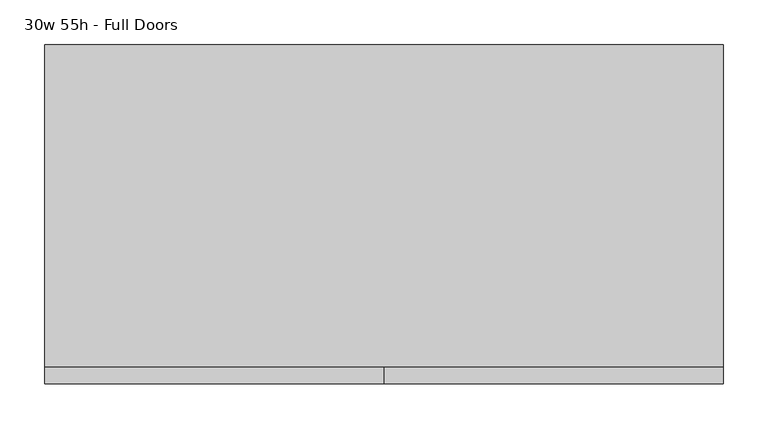
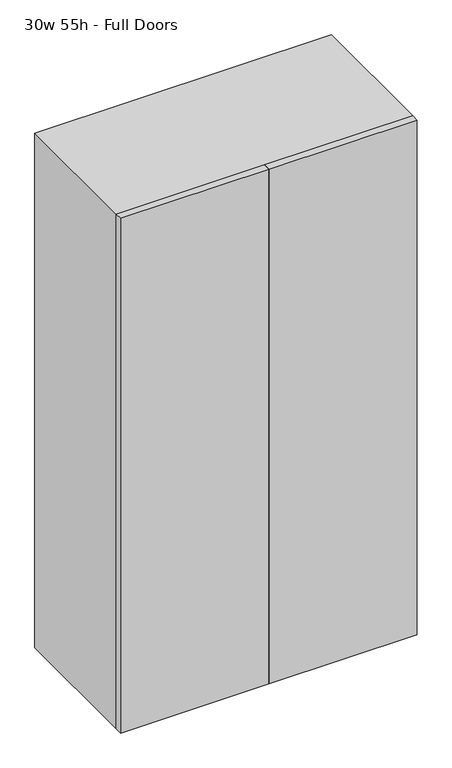
"""IFC4 building model written with IfcOpenShell, lengths in millimetres: furniture geometry, 30w 55h - Full Doors."""

import ifcopenshell
import ifcopenshell.guid

model = None  # the IFC model being written
_history = None  # IfcOwnerHistory: only IFC2X3 demands one
_inside = {}  # id of a spatial element -> (the spatial element, [elements in it])
_under = {}  # id of a project, library or spatial element -> (it, [spatial elements below it])
_declared = {}  # id of a project -> (the project, [libraries it declares])
_typed = {}  # id of a type object -> (the type object, [elements of that type])
_made_of = {}  # id of a material, layer set ... -> (it, [elements and type objects made of it])


def new_model(schema):
    """Start an empty IFC model of exactly this schema.

    Asked for "IFC4X3", IfcOpenShell would pick the latest addendum, in which some entities
    have other attributes; the version numbers below select the first issue.
    IFC2X3 requires an IfcOwnerHistory on every rooted entity: one is made here for all.
    """
    global model, _history
    if schema == "IFC4X3":
        model = ifcopenshell.file(schema_version=(4, 3, 0, 0))
    else:
        model = ifcopenshell.file(schema=schema)
    _inside.clear()
    _under.clear()
    _declared.clear()
    _typed.clear()
    _made_of.clear()
    _history = None
    if model.schema == "IFC2X3":
        org = make("IfcOrganization", Name="unknown")
        user = make(
            "IfcPersonAndOrganization",
            ThePerson=make("IfcPerson", FamilyName="unknown"),
            TheOrganization=org,
        )
        app = make(
            "IfcApplication",
            ApplicationDeveloper=org,
            Version="unknown",
            ApplicationFullName="unknown",
            ApplicationIdentifier="unknown",
        )
        _history = make(
            "IfcOwnerHistory",
            OwningUser=user,
            OwningApplication=app,
            ChangeAction="ADDED",
            CreationDate=0,
        )
    return model


def make(cls, **values):
    """One entity of the class cls with the attributes given. An attribute that is None is left unset."""
    return model.create_entity(
        cls, **{name: value for name, value in values.items() if value is not None}
    )


def rooted(cls, **values):
    """An entity with a GlobalId (a new one), such as an element, a storey or a relation."""
    return make(cls, GlobalId=ifcopenshell.guid.new(), OwnerHistory=_history, **values)


def si_unit(unit_type, name, prefix=None):
    """IfcSIUnit, for example si_unit("LENGTHUNIT", "METRE", prefix="MILLI")."""
    return make("IfcSIUnit", UnitType=unit_type, Prefix=prefix, Name=name)


def assignment(units):
    """IfcUnitAssignment: the units of a project."""
    return None if units is None else make("IfcUnitAssignment", Units=units)


def point(xyz):
    """IfcCartesianPoint."""
    return None if xyz is None else make("IfcCartesianPoint", Coordinates=xyz)


def direction(xyz):
    """IfcDirection."""
    return None if xyz is None else make("IfcDirection", DirectionRatios=xyz)


def frame(location, z_axis=None, x_axis=None):
    """IfcAxis2Placement3D, a coordinate frame: its origin and axes. An axis left out is left unset."""
    return make(
        "IfcAxis2Placement3D",
        Location=point(location),
        Axis=direction(z_axis),
        RefDirection=direction(x_axis),
    )


def origin():
    """The frame at (0, 0, 0) with its axes left unset."""
    return frame((0.0, 0.0, 0.0))


def place(relative_to, where):
    """IfcLocalPlacement: puts the frame where relative to a parent placement (None: the world)."""
    return make(
        "IfcLocalPlacement", PlacementRelTo=relative_to, RelativePlacement=where
    )


def context(
    kind, dimensions, precision=None, world=None, true_north=None, identifier=None
):
    """IfcGeometricRepresentationContext, for example the 3D "Model" context."""
    return make(
        "IfcGeometricRepresentationContext",
        ContextIdentifier=identifier,
        ContextType=kind,
        CoordinateSpaceDimension=dimensions,
        Precision=precision,
        WorldCoordinateSystem=world,
        TrueNorth=true_north,
    )


def project(units=None, contexts=None):
    """IfcProject with its units and contexts."""
    return rooted(
        "IfcProject",
        Name="project",
        RepresentationContexts=contexts,
        UnitsInContext=assignment(units),
    )


def spatial(cls, under=None, at=None, **own):
    """A site, building, storey or space (cls), placed at a placement, below another one or the project."""
    s = rooted(cls, ObjectPlacement=at, **own)
    if under is not None:
        _under.setdefault(under.id(), (under, []))[1].append(s)
    return s


def polyline(points):
    """IfcPolyline through the points."""
    return make("IfcPolyline", Points=[point(p) for p in points])


def outline(outer, holes=None, kind="AREA"):
    """IfcArbitraryClosedProfileDef: a profile drawn as a closed curve; with holes, ...WithVoids."""
    if holes is None:
        return make("IfcArbitraryClosedProfileDef", ProfileType=kind, OuterCurve=outer)
    return make(
        "IfcArbitraryProfileDefWithVoids",
        ProfileType=kind,
        OuterCurve=outer,
        InnerCurves=holes,
    )


def extrude(swept, where, along, depth):
    """IfcExtrudedAreaSolid: the profile swept, set in the frame where, extruded along a direction by depth."""
    return make(
        "IfcExtrudedAreaSolid",
        SweptArea=swept,
        Position=where,
        ExtrudedDirection=direction(along),
        Depth=depth,
    )


def shape(context_of_items, identifier, shape_type, items):
    """IfcShapeRepresentation: the items that make up one representation, for example the "Body"."""
    return make(
        "IfcShapeRepresentation",
        ContextOfItems=context_of_items,
        RepresentationIdentifier=identifier,
        RepresentationType=shape_type,
        Items=items,
    )


def source(mapping_origin, context_of_items, identifier, shape_type, items):
    """IfcRepresentationMap: a shape defined once, which mapped items show again and again."""
    return make(
        "IfcRepresentationMap",
        MappingOrigin=mapping_origin,
        MappedRepresentation=shape(context_of_items, identifier, shape_type, items),
    )


def transform(
    local_origin,
    x_axis=None,
    y_axis=None,
    z_axis=None,
    scale=None,
    scale2=None,
    scale3=None,
    uniform=True,
):
    """IfcCartesianTransformationOperator3D, or its non-uniform kind. x_axis, y_axis, z_axis: its Axis1, 2, 3."""
    if uniform:
        return make(
            "IfcCartesianTransformationOperator3D",
            Axis1=direction(x_axis),
            Axis2=direction(y_axis),
            LocalOrigin=point(local_origin),
            Scale=scale,
            Axis3=direction(z_axis),
        )
    return make(
        "IfcCartesianTransformationOperator3DnonUniform",
        Axis1=direction(x_axis),
        Axis2=direction(y_axis),
        LocalOrigin=point(local_origin),
        Scale=scale,
        Axis3=direction(z_axis),
        Scale2=scale2,
        Scale3=scale3,
    )


def mapped(mapping_source, mapping_target):
    """IfcMappedItem: shows the shape of a source again, moved by a transform."""
    return make(
        "IfcMappedItem", MappingSource=mapping_source, MappingTarget=mapping_target
    )


def made_of(thing, what):
    """Note that an element or type object is made of a material, layer set ...; save() writes the relation."""
    if what is not None:
        _made_of.setdefault(what.id(), (what, []))[1].append(thing)
    return thing


def element(
    cls,
    number,
    at=None,
    inside=None,
    cuts=None,
    type_object=None,
    material=None,
    context=None,
    identifier="Body",
    shape_type=None,
    held_by="IfcProductDefinitionShape",
    body=None,
    shapes=None,
    **own,
):
    """One element of the class cls, such as IfcWall. Its Tag is "e" and its number.

    at: its placement. inside: the storey or other place that contains it. cuts: it is an
    opening in that element (IfcRelVoidsElement). A single representation is given by context,
    identifier, shape_type and body (its items); several are given by shapes. held_by: the class
    of the entity that holds the representations. save() writes the other relations.
    """
    e = rooted(cls, Tag="e%d" % number, ObjectPlacement=at, **own)
    if body is not None:
        shapes = [shape(context, identifier, shape_type, body)]
    if shapes is not None:
        e.Representation = make(held_by, Representations=shapes)
    if inside is not None:
        _inside.setdefault(inside.id(), (inside, []))[1].append(e)
    if cuts is not None:
        rooted(
            "IfcRelVoidsElement", RelatingBuildingElement=cuts, RelatedOpeningElement=e
        )
    if type_object is not None:
        _typed.setdefault(type_object.id(), (type_object, []))[1].append(e)
    return made_of(e, material)


def aggregate(whole, parts):
    """IfcRelAggregates: a whole, such as a stair, and the parts it consists of."""
    return rooted("IfcRelAggregates", RelatingObject=whole, RelatedObjects=parts)


def save(model, path):
    """Write the relations noted so far, then the file.

    IfcRelAggregates (storeys below a building ...), IfcRelContainedInSpatialStructure (elements
    in a storey), IfcRelDefinesByType, IfcRelAssociatesMaterial and IfcRelDeclares: one each for
    every whole, place, type object, material and project.
    """
    for whole, parts in _under.values():
        aggregate(whole, parts)
    for where, things in _inside.values():
        rooted(
            "IfcRelContainedInSpatialStructure",
            RelatedElements=things,
            RelatingStructure=where,
        )
    for kind, things in _typed.values():
        rooted("IfcRelDefinesByType", RelatedObjects=things, RelatingType=kind)
    for what, things in _made_of.values():
        rooted("IfcRelAssociatesMaterial", RelatedObjects=things, RelatingMaterial=what)
    for by, libraries in _declared.values():
        rooted("IfcRelDeclares", RelatingContext=by, RelatedDefinitions=libraries)
    model.write(path)


def furniture_30w_55h_full_doors_569ef207(model_context):
    return source(origin(), model_context, "Body", "SweptSolid", [
        extrude(outline(polyline([(361.9569453, 161.925), (361.9569453, -180.975), (-361.9291641, -180.975), (-361.9291641, 161.925), (361.9569453, 161.925)])), frame((0.0, 0.0, 1664.7583333), z_axis=(0.0, 0.0, 1.0), x_axis=(1.0, 0.0, 0.0)), (0.0, 0.0, 1.0), 19.05),
        extrude(outline(polyline([(361.9569453, 161.925), (361.9569453, -180.975), (-361.9291641, -180.975), (-361.9291641, 161.925), (361.9569453, 161.925)])), frame((0.0, 0.0, 1186.3916667), z_axis=(0.0, 0.0, 1.0), x_axis=(1.0, 0.0, 0.0)), (0.0, 0.0, 1.0), 19.05),
        extrude(outline(polyline([(0.0138906, -200.025), (0.0138906, -180.975), (381.0138906, -180.975), (381.0138906, -200.025), (0.0138906, -200.025)])), frame((0.0, 0.0, 736.6), z_axis=(0.0, 0.0, 1.0), x_axis=(1.0, 0.0, 0.0)), (0.0, 0.0, 1.0), 1397.0),
        extrude(outline(polyline([(0.0138906, -200.025), (-380.9861094, -200.025), (-380.9861094, -180.975), (0.0138906, -180.975), (0.0138906, -200.025)])), frame((0.0, 0.0, 736.6), z_axis=(0.0, 0.0, 1.0), x_axis=(1.0, 0.0, 0.0)), (0.0, 0.0, 1.0), 1397.0),
        extrude(outline(polyline([(736.6, -380.9861094), (736.6, 381.0138906), (2133.6, 381.0138906), (2133.6, -380.9861094), (736.6, -380.9861094)]), holes=[polyline([(755.65, -361.9361094), (2114.55, -361.9361094), (2114.55, 361.9569453), (755.65, 361.9569453), (755.65, -361.9361094)])]), frame((0.0, -180.975, 0.0), z_axis=(0.0, 1.0, 0.0), x_axis=(0.0, 0.0, 1.0)), (0.0, 0.0, 1.0), 361.95),
        extrude(outline(polyline([(-361.9291641, 161.925), (-361.9291641, 180.975), (361.9569453, 180.975), (361.9569453, 161.925), (-361.9291641, 161.925)])), frame((0.0, 0.0, 755.65), z_axis=(0.0, 0.0, 1.0), x_axis=(1.0, 0.0, 0.0)), (0.0, 0.0, 1.0), 1358.9),
    ])


if __name__ == "__main__":
    model = new_model("IFC4")
    model_context = context("Model", 3, world=origin())
    ifc_project = project(units=[si_unit("LENGTHUNIT", "METRE", prefix="MILLI")], contexts=[model_context])
    site = spatial("IfcSite", under=ifc_project)
    building = spatial("IfcBuilding", under=site)
    placement = place(None, origin())
    furniture_30w_55h_full_doors_shape = furniture_30w_55h_full_doors_569ef207(model_context)
    element("IfcFurniture", 1, ObjectType="30w 55h - Full Doors", at=placement, inside=building, context=model_context, shape_type="MappedRepresentation", body=[
        mapped(furniture_30w_55h_full_doors_shape, transform((0.0, 0.0, 0.0), x_axis=(1.0, 0.0, 0.0), y_axis=(0.0, 1.0, 0.0), z_axis=(0.0, 0.0, 1.0))),
    ])
    save(model, "model.ifc")
